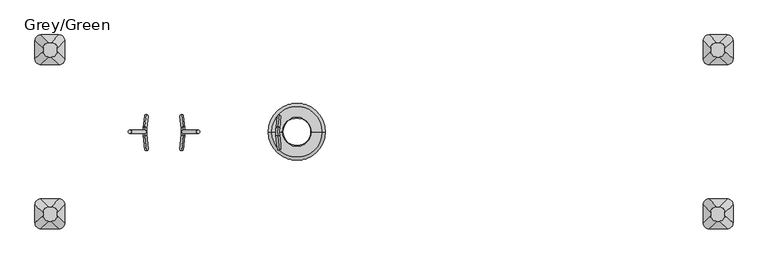
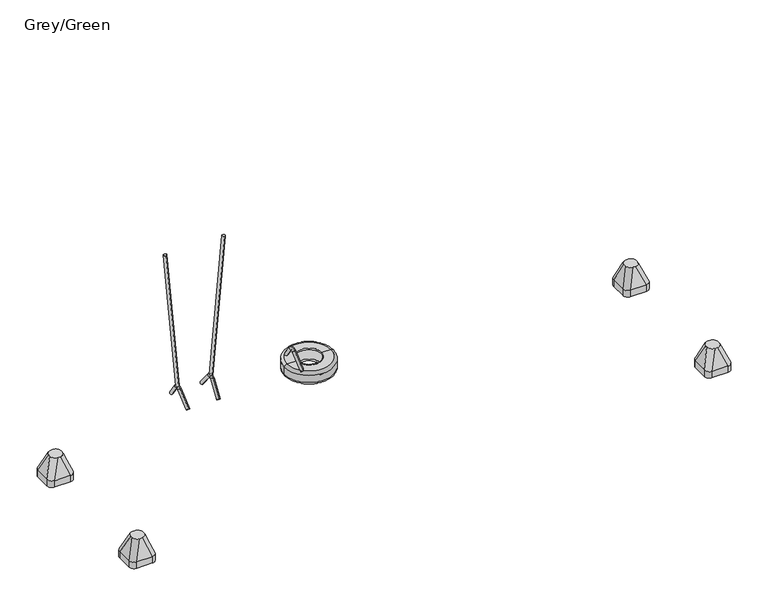
"""IFC4 building model written with IfcOpenShell, lengths in millimetres: furniture geometry, Grey/Green."""

from ifc_helpers import new_model, si_unit, point, frame, frame_2d, origin, place, context, project, spatial, circle_curve, ellipse_curve, trimmed, segment, composite_curve, outline, extrude, source, transform, mapped, element, save
from ifc_brep_helpers import plane_surface, cylinder_surface, revolved_surface, extruded_surface, advanced_brep


def grey_green_4fb9e961(model_context):
    return source(origin(), model_context, "Body", "SolidModel", [
        advanced_brep(
        [(529.5435586, 142.8352389, 487.8799535), (527.6552997, 171.5861173, 509.4628511), (515.6224244, 22.4722343, 646.9992456), (513.7341655, 51.2231127, 668.5821433), (529.9729122, -161.4568254, 482.9724192), (527.914457, -188.6263703, 506.5006701), (513.4434567, -44.2933839, 671.9049602), (515.5019119, -17.123839, 648.3767093)],
        [
            (0, 1, circle_curve(frame((528.5994292, 157.2106781, 498.6714023), z_axis=(0.06960567106282514, 0.6018150231520504, -0.7955964608169089), x_axis=(-0.052451635339515044, 0.7986355100472914, 0.5995249352960337)), 18.0)),
            (1, 0, circle_curve(frame((528.5994292, 157.2106781, 498.6714023), z_axis=(0.06960567106282514, 0.6018150231520504, -0.7955964608169089), x_axis=(-0.052451635339515044, 0.7986355100472914, 0.5995249352960337)), 18.0)),
            (0, 2),
            (2, 3, circle_curve(frame((514.678295, 36.8476735, 657.7906945), z_axis=(0.06960567106282514, 0.6018150231520504, -0.7955964608169089), x_axis=(-0.052451635339515044, 0.7986355100472914, 0.5995249352960337)), 18.0)),
            (3, 1),
            (3, 2, circle_curve(frame((514.678295, 36.8476735, 657.7906945), z_axis=(0.06960567106282514, 0.6018150231520504, -0.7955964608169089), x_axis=(-0.052451635339515044, 0.7986355100472914, 0.5995249352960337)), 18.0)),
            (4, 5, circle_curve(frame((528.9436846, -175.0415979, 494.7365446), z_axis=(0.06577727402308613, -0.6560590289905281, -0.7518376824169546), x_axis=(-0.05717931195797577, -0.754709580222754, 0.653562526315583)), 18.0)),
            (5, 4, circle_curve(frame((528.9436846, -175.0415979, 494.7365446), z_axis=(0.06577727402308613, -0.6560590289905281, -0.7518376824169546), x_axis=(-0.05717931195797577, -0.754709580222754, 0.653562526315583)), 18.0)),
            (6, 7, circle_curve(frame((514.4726843, -30.7086115, 660.1408348), z_axis=(0.06577727402308613, -0.6560590289905281, -0.7518376824169546), x_axis=(-0.05717931195797577, -0.754709580222754, 0.653562526315583)), 18.0)),
            (7, 4),
            (5, 6),
            (7, 6, circle_curve(frame((514.4726843, -30.7086115, 660.1408348), z_axis=(0.06577727402308613, -0.6560590289905281, -0.7518376824169546), x_axis=(-0.05717931195797577, -0.754709580222754, 0.653562526315583)), 18.0)),
            (6, 3, circle_curve(frame((516.9594607, 2.1143432, 631.7168506), z_axis=(-0.9961946980917457, 0.0, -0.08715574274765649), x_axis=(-0.05245163533951502, 0.7986355100472914, 0.5995249352960336)), 61.4908414)),
            (2, 7, circle_curve(frame((516.9594607, 2.1143432, 631.7168506), z_axis=(0.9961946980917457, 0.0, 0.08715574274765649), x_axis=(-0.05245163533951502, 0.7986355100472914, 0.5995249352960336)), 25.4908414)),
        ],
        [
            plane_surface(frame((528.5994292, 157.2106781, 498.6714023), z_axis=(0.06960567106282513, 0.6018150231520503, -0.7955964608169087), x_axis=(-0.9961946980917457, 0.0, -0.08715574274765646))),
            cylinder_surface(frame((528.5994292, 157.2106781, 498.6714023), z_axis=(0.06960567106282513, 0.6018150231520503, -0.7955964608169087), x_axis=(-0.052451635339515044, 0.7986355100472914, 0.5995249352960337)), 18.0),
            plane_surface(frame((528.9436846, -175.0415979, 494.7365446), z_axis=(0.06577727402308613, -0.6560590289905281, -0.7518376824169546), x_axis=(-0.9961946980917457, 0.0, -0.08715574274765645))),
            cylinder_surface(frame((514.4726843, -30.7086115, 660.1408348), z_axis=(-0.06577727402308613, 0.6560590289905281, 0.7518376824169546), x_axis=(-0.05717931195797577, -0.754709580222754, 0.653562526315583)), 18.0),
            revolved_surface(trimmed(ellipse_curve(frame((514.678295, 36.8476735, 657.7906945), z_axis=(0.0696056710628252, 0.6018150231520499, -0.7955964608169088), x_axis=(-0.05245163533951503, 0.7986355100472915, 0.5995249352960333)), 18.0, 18.0), [point((515.6224244, 22.4722343, 646.9992456))], [point((513.7341655, 51.2231127, 668.5821433))], True, "CARTESIAN"), (516.9594607, 2.1143432, 631.7168506), (0.9961946980917457, 0.0, 0.08715574274765649)),
            revolved_surface(trimmed(ellipse_curve(frame((514.678295, 36.8476735, 657.7906945), z_axis=(0.0696056710628252, 0.6018150231520499, -0.7955964608169088), x_axis=(-0.05245163533951503, 0.7986355100472915, 0.5995249352960333)), 18.0, 18.0), [point((513.7341655, 51.2231127, 668.5821433))], [point((515.6224244, 22.4722343, 646.9992456))], True, "CARTESIAN"), (516.9594607, 2.1143432, 631.7168506), (0.9961946980917457, 0.0, 0.08715574274765649)),
        ],
        [
            (0, [[1, 2]]),
            (1, [[-1, 3, 4, 5]]),
            (1, [[-2, -5, 6, -3]]),
            (2, [[7, 8]]),
            (3, [[9, 10, -8, 11]]),
            (3, [[12, -11, -7, -10]]),
            (4, [[13, -4, 14, -9]]),
            (5, [[-14, -6, -13, -12]]),
        ],
    ),
        advanced_brep(
        [(419.8165246, 0.0, 390.0), (991.1834754, 0.0, 390.0), (961.1834754, 0.0, 360.0), (449.8165246, 0.0, 360.0), (449.8165246, 0.0, 510.0), (961.1834754, 0.0, 510.0), (991.1834754, 0.0, 480.0), (419.8165246, 0.0, 480.0), (560.5, 0.0, 510.0), (850.5, 0.0, 510.0), (560.5, 0.0, 500.0), (850.5, 0.0, 500.0), (560.5, 0.0, 360.0), (850.5, 0.0, 360.0), (850.5, 0.0, 375.0), (560.5, 0.0, 375.0)],
        [
            (0, 1, circle_curve(frame((705.5, 0.0, 390.0), z_axis=(0.0, 0.0, -1.0), x_axis=(1.0, 0.0, 0.0)), 285.6834754)),
            (1, 2, circle_curve(frame((961.1834754, 0.0, 390.0), z_axis=(0.0, 1.0, 0.0), x_axis=(1.0, 0.0, 0.0)), 30.0)),
            (2, 3, circle_curve(frame((705.5, 0.0, 360.0), z_axis=(0.0, 0.0, 1.0), x_axis=(1.0, 0.0, 0.0)), 255.6834754)),
            (3, 0, circle_curve(frame((449.8165246, 0.0, 390.0), z_axis=(0.0, 1.0, 0.0), x_axis=(-1.0, 0.0, 0.0)), 30.0)),
            (1, 0, circle_curve(frame((705.5, 0.0, 390.0), z_axis=(0.0, 0.0, -1.0), x_axis=(1.0, 0.0, 0.0)), 285.6834754)),
            (3, 2, circle_curve(frame((705.5, 0.0, 360.0), z_axis=(0.0, 0.0, 1.0), x_axis=(1.0, 0.0, 0.0)), 255.6834754)),
            (4, 5, circle_curve(frame((705.5, 0.0, 510.0), z_axis=(0.0, 0.0, -1.0), x_axis=(1.0, 0.0, 0.0)), 255.6834754)),
            (5, 6, circle_curve(frame((961.1834754, 0.0, 480.0), z_axis=(0.0, 1.0, 0.0), x_axis=(1.0, 0.0, 0.0)), 30.0)),
            (6, 7, circle_curve(frame((705.5, 0.0, 480.0), z_axis=(0.0, 0.0, 1.0), x_axis=(1.0, 0.0, 0.0)), 285.6834754)),
            (7, 4, circle_curve(frame((449.8165246, 0.0, 480.0), z_axis=(0.0, 1.0, 0.0), x_axis=(-1.0, 0.0, 0.0)), 30.0)),
            (5, 4, circle_curve(frame((705.5, 0.0, 510.0), z_axis=(0.0, 0.0, -1.0), x_axis=(1.0, 0.0, 0.0)), 255.6834754)),
            (7, 6, circle_curve(frame((705.5, 0.0, 480.0), z_axis=(0.0, 0.0, 1.0), x_axis=(1.0, 0.0, 0.0)), 285.6834754)),
            (8, 9, circle_curve(frame((705.5, 0.0, 510.0), z_axis=(0.0, 0.0, -1.0), x_axis=(1.0, 0.0, 0.0)), 145.0)),
            (9, 5),
            (4, 8),
            (9, 8, circle_curve(frame((705.5, 0.0, 510.0), z_axis=(0.0, 0.0, -1.0), x_axis=(1.0, 0.0, 0.0)), 145.0)),
            (10, 11, circle_curve(frame((705.5, 0.0, 500.0), z_axis=(0.0, 0.0, -1.0), x_axis=(1.0, 0.0, 0.0)), 145.0)),
            (11, 9, circle_curve(frame((850.5, 0.0, 505.0), z_axis=(0.0, 1.0, 0.0), x_axis=(1.0, 0.0, 0.0)), 5.0)),
            (8, 10, circle_curve(frame((560.5, 0.0, 505.0), z_axis=(0.0, 1.0, 0.0), x_axis=(-1.0, 0.0, 0.0)), 5.0)),
            (11, 10, circle_curve(frame((705.5, 0.0, 500.0), z_axis=(0.0, 0.0, -1.0), x_axis=(1.0, 0.0, 0.0)), 145.0)),
            (12, 13, circle_curve(frame((705.5, 0.0, 360.0), z_axis=(0.0, 0.0, -1.0), x_axis=(1.0, 0.0, 0.0)), 145.0)),
            (13, 14, circle_curve(frame((854.3250415, 0.0, 367.5), z_axis=(0.0, 1.0, 0.0), x_axis=(1.0, 0.0, 0.0)), 8.4190821)),
            (14, 15, circle_curve(frame((705.5, 0.0, 375.0), z_axis=(0.0, 0.0, 1.0), x_axis=(1.0, 0.0, 0.0)), 145.0)),
            (15, 12, circle_curve(frame((556.6749585, 0.0, 367.5), z_axis=(0.0, 1.0, 0.0), x_axis=(-1.0, 0.0, 0.0)), 8.4190821)),
            (13, 12, circle_curve(frame((705.5, 0.0, 360.0), z_axis=(0.0, 0.0, -1.0), x_axis=(1.0, 0.0, 0.0)), 145.0)),
            (15, 14, circle_curve(frame((705.5, 0.0, 375.0), z_axis=(0.0, 0.0, 1.0), x_axis=(1.0, 0.0, 0.0)), 145.0)),
            (2, 13),
            (12, 3),
            (6, 1),
            (0, 7),
            (14, 11, circle_curve(frame((850.5, 0.0, 437.5), z_axis=(0.0, -1.0, 0.0), x_axis=(-1.0, 0.0, 0.0)), 62.5)),
            (10, 15, circle_curve(frame((560.5, 0.0, 437.5), z_axis=(0.0, -1.0, 0.0), x_axis=(1.0, 0.0, 0.0)), 62.5)),
        ],
        [
            revolved_surface(trimmed(ellipse_curve(frame((961.1834754, 0.0, 390.0), z_axis=(0.0, -1.0, 0.0), x_axis=(1.0, 0.0, 0.0)), 30.0, 30.0), [point((961.1834754, 0.0, 360.0))], [point((991.1834754, 0.0, 390.0))], True, "CARTESIAN"), (705.5, 0.0, 2969.0581012), (0.0, 0.0, 1.0)),
            revolved_surface(trimmed(ellipse_curve(frame((961.1834754, 0.0, 480.0), z_axis=(0.0, -1.0, 0.0), x_axis=(1.0, 0.0, 0.0)), 30.0, 30.0), [point((991.1834754, 0.0, 480.0))], [point((961.1834754, 0.0, 510.0))], True, "CARTESIAN"), (705.5, 0.0, 2969.0581012), (0.0, 0.0, 1.0)),
            plane_surface(frame((705.5, 0.0, 510.0), z_axis=(0.0, 0.0, 1.0), x_axis=(1.0, 0.0, 0.0))),
            revolved_surface(trimmed(ellipse_curve(frame((850.5, 0.0, 505.0), z_axis=(0.0, -1.0, 0.0), x_axis=(1.0, 0.0, 0.0)), 5.0, 5.0), [point((850.5, 0.0, 510.0))], [point((850.5, 0.0, 500.0))], True, "CARTESIAN"), (705.5, 0.0, 2969.0581012), (0.0, 0.0, 1.0)),
            revolved_surface(trimmed(ellipse_curve(frame((854.3250415, 0.0, 367.5), z_axis=(0.0, -1.0, 0.0), x_axis=(1.0, 0.0, 0.0)), 8.4190821, 8.4190821), [point((850.5, 0.0, 375.0))], [point((850.5, 0.0, 360.0))], True, "CARTESIAN"), (705.5, 0.0, 2969.0581012), (0.0, 0.0, 1.0)),
            plane_surface(frame((705.5, 0.0, 360.0), z_axis=(0.0, 0.0, -1.0), x_axis=(1.0, 0.0, 0.0))),
            cylinder_surface(frame((705.5, 0.0, 2969.0581012), z_axis=(0.0, 0.0, 1.0), x_axis=(1.0, 0.0, 0.0)), 285.6834754),
            revolved_surface(trimmed(ellipse_curve(frame((850.5, 0.0, 437.5), z_axis=(0.0, 1.0, 0.0), x_axis=(-1.0, 0.0, 0.0)), 62.5, 62.5), [point((850.5, 0.0, 500.0))], [point((850.5, 0.0, 375.0))], True, "CARTESIAN"), (705.5, 0.0, 2969.0581012), (0.0, 0.0, 1.0)),
        ],
        [
            (0, [[1, 2, 3, 4]]),
            (0, [[5, -4, 6, -2]]),
            (1, [[7, 8, 9, 10]]),
            (1, [[11, -10, 12, -8]]),
            (2, [[13, 14, -7, 15]]),
            (2, [[16, -15, -11, -14]]),
            (3, [[17, 18, -13, 19]]),
            (3, [[20, -19, -16, -18]]),
            (4, [[21, 22, 23, 24]]),
            (4, [[25, -24, 26, -22]]),
            (5, [[-3, 27, -21, 28]]),
            (5, [[-6, -28, -25, -27]]),
            (6, [[-9, 29, -1, 30]]),
            (6, [[-12, -30, -5, -29]]),
            (7, [[-23, 31, -17, 32]]),
            (7, [[-26, -32, -20, -31]]),
        ],
    ),
        advanced_brep(
        [(4833.0, -672.5, -604.0), (5013.0, -672.5, -604.0), (5073.0, -732.5, -604.0), (5073.0, -912.5, -604.0), (5013.0, -972.5, -604.0), (4833.0, -972.5, -604.0), (4773.0, -912.5, -604.0), (4773.0, -732.5, -604.0), (4833.0, -672.5, -526.0689494), (5013.0, -672.5, -526.0689494), (5073.0, -732.5, -526.0689494), (5073.0, -912.5, -526.0689494), (5013.0, -972.5, -526.0689494), (4833.0, -972.5, -526.0689494), (4773.0, -912.5, -526.0689494), (4773.0, -732.5, -526.0689494), (4931.9540451, -751.0510597, -316.0689494), (4906.9540451, -751.0510597, -316.0689494), (4846.9540451, -811.0510597, -316.0689494), (4846.9540451, -836.0510597, -316.0689494), (4906.9540451, -896.0510597, -316.0689494), (4931.9540451, -896.0510597, -316.0689494), (4991.9540451, -836.0510597, -316.0689494), (4991.9540451, -811.0510597, -316.0689494)],
        [
            (0, 1),
            (1, 2, circle_curve(frame((5013.0, -732.5, -604.0), z_axis=(0.0, 0.0, -1.0), x_axis=(-1.0, 0.0, 0.0)), 60.0)),
            (2, 3),
            (3, 4, circle_curve(frame((5013.0, -912.5, -604.0), z_axis=(0.0, 0.0, -1.0), x_axis=(-1.0, 0.0, 0.0)), 60.0)),
            (4, 5),
            (5, 6, circle_curve(frame((4833.0, -912.5, -604.0), z_axis=(0.0, 0.0, -1.0), x_axis=(-1.0, 0.0, 0.0)), 60.0)),
            (6, 7),
            (7, 0, circle_curve(frame((4833.0, -732.5, -604.0), z_axis=(0.0, 0.0, -1.0), x_axis=(-1.0, 0.0, 0.0)), 60.0)),
            (0, 8),
            (8, 9),
            (9, 1),
            (2, 10),
            (10, 11),
            (11, 3),
            (4, 12),
            (12, 13),
            (13, 5),
            (6, 14),
            (14, 15),
            (15, 7),
            (16, 17),
            (17, 18, circle_curve(frame((4906.9540451, -811.0510597, -316.0689494), z_axis=(0.0, 0.0, 1.0), x_axis=(-1.0, 0.0, 0.0)), 60.0)),
            (18, 19),
            (19, 20, circle_curve(frame((4906.9540451, -836.0510597, -316.0689494), z_axis=(0.0, 0.0, 1.0), x_axis=(-1.0, 0.0, 0.0)), 60.0)),
            (20, 21),
            (21, 22, circle_curve(frame((4931.9540451, -836.0510597, -316.0689494), z_axis=(0.0, 0.0, 1.0), x_axis=(-1.0, 0.0, 0.0)), 60.0)),
            (22, 23),
            (23, 16, circle_curve(frame((4931.9540451, -811.0510597, -316.0689494), z_axis=(0.0, 0.0, 1.0), x_axis=(-1.0, 0.0, 0.0)), 60.0)),
            (22, 11),
            (10, 23),
            (20, 13),
            (12, 21),
            (18, 15),
            (14, 19),
            (16, 9),
            (8, 17),
            (9, 10, circle_curve(frame((5013.0, -732.5, -526.0689494), z_axis=(0.0, 0.0, -1.0), x_axis=(-1.0, 0.0, 0.0)), 60.0)),
            (11, 12, circle_curve(frame((5013.0, -912.5, -526.0689494), z_axis=(0.0, 0.0, -1.0), x_axis=(-1.0, 0.0, 0.0)), 60.0)),
            (13, 14, circle_curve(frame((4833.0, -912.5, -526.0689494), z_axis=(0.0, 0.0, -1.0), x_axis=(-1.0, 0.0, 0.0)), 60.0)),
            (15, 8, circle_curve(frame((4833.0, -732.5, -526.0689494), z_axis=(0.0, 0.0, -1.0), x_axis=(-1.0, 0.0, 0.0)), 60.0)),
        ],
        [
            plane_surface(frame((5099.6329682, -672.5, -604.0), z_axis=(0.0, 0.0, -1.0), x_axis=(-1.0, 0.0, 0.0))),
            plane_surface(frame((4833.0, -672.5, -526.0689494), z_axis=(0.0, 1.0, 0.0), x_axis=(0.0, 0.0, -1.0))),
            plane_surface(frame((5073.0, -732.5, -526.0689494), z_axis=(1.0, 0.0, 0.0), x_axis=(0.0, 0.0, -1.0))),
            plane_surface(frame((5013.0, -972.5, -526.0689494), z_axis=(0.0, -1.0, 0.0), x_axis=(0.0, 0.0, -1.0))),
            plane_surface(frame((4773.0, -912.5, -526.0689494), z_axis=(-1.0, 0.0, 0.0), x_axis=(0.0, 0.0, -1.0))),
            plane_surface(frame((4919.4540451, -823.5510597, -316.0689494), z_axis=(0.0, 0.0, 1.0), x_axis=(1.0, 0.0, 0.0))),
            plane_surface(frame((5073.0, -822.5, -526.0689494), z_axis=(0.9329330935587706, 0.0, 0.36004977842357055), x_axis=(0.0, -1.0, 0.0))),
            plane_surface(frame((4923.0, -972.5, -526.0689494), z_axis=(0.0, -0.9396707723277333, 0.34208016550656856), x_axis=(-1.0, 0.0, 0.0))),
            plane_surface(frame((4773.0, -822.5, -526.0689494), z_axis=(-0.9432207285248213, 0.0, 0.33216661072586046), x_axis=(0.0, 1.0, 0.0))),
            plane_surface(frame((4923.0, -672.5, -526.0689494), z_axis=(0.0, 0.9366205672401335, 0.35034541958297477), x_axis=(1.0, 0.0, 0.0))),
            cylinder_surface(frame((5013.0, -732.5, -604.0), z_axis=(0.0, 0.0, 1.0), x_axis=(-1.0, 0.0, 0.0)), 60.0),
            cylinder_surface(frame((5013.0, -912.5, -604.0), z_axis=(0.0, 0.0, 1.0), x_axis=(-1.0, 0.0, 0.0)), 60.0),
            cylinder_surface(frame((4833.0, -912.5, -604.0), z_axis=(0.0, 0.0, 1.0), x_axis=(-1.0, 0.0, 0.0)), 60.0),
            cylinder_surface(frame((4833.0, -732.5, -604.0), z_axis=(0.0, 0.0, 1.0), x_axis=(-1.0, 0.0, 0.0)), 60.0),
            extruded_surface(trimmed(circle_curve(frame((4931.9540451, -811.0510597, -316.0689494), z_axis=(0.0, 0.0, -1.0), x_axis=(-1.0, 0.0, 0.0)), 60.0), [point((4931.9540451, -751.0510597, -316.0689494))], [point((4991.9540451, -811.0510597, -316.0689494))], True, "CARTESIAN"), (81.04595489999974, 78.5510597, -209.99999999999994), 238.40871583406033),
            extruded_surface(trimmed(circle_curve(frame((4906.9540451, -811.0510597, -316.0689494), z_axis=(0.0, 0.0, -1.0), x_axis=(-1.0, 0.0, 0.0)), 60.0), [point((4846.9540451, -811.0510597, -316.0689494))], [point((4906.9540451, -751.0510597, -316.0689494))], True, "CARTESIAN"), (-73.95404510000026, 78.5510597, -209.99999999999994), 236.09207900021934),
            extruded_surface(trimmed(circle_curve(frame((4931.9540451, -836.0510597, -316.0689494), z_axis=(0.0, 0.0, -1.0), x_axis=(-1.0, 0.0, 0.0)), 60.0), [point((4991.9540451, -836.0510597, -316.0689494))], [point((4931.9540451, -896.0510597, -316.0689494))], True, "CARTESIAN"), (81.04595489999974, -76.4489403, -209.99999999999994), 237.72439352882097),
            extruded_surface(trimmed(circle_curve(frame((4906.9540451, -836.0510597, -316.0689494), z_axis=(0.0, 0.0, -1.0), x_axis=(-1.0, 0.0, 0.0)), 60.0), [point((4906.9540451, -896.0510597, -316.0689494))], [point((4846.9540451, -836.0510597, -316.0689494))], True, "CARTESIAN"), (-73.95404510000026, -76.4489403, -209.99999999999994), 235.40102221453037),
        ],
        [
            (0, [[1, 2, 3, 4, 5, 6, 7, 8]]),
            (1, [[9, 10, 11, -1]]),
            (2, [[12, 13, 14, -3]]),
            (3, [[15, 16, 17, -5]]),
            (4, [[18, 19, 20, -7]]),
            (5, [[21, 22, 23, 24, 25, 26, 27, 28]]),
            (6, [[29, -13, 30, -27]]),
            (7, [[31, -16, 32, -25]]),
            (8, [[33, -19, 34, -23]]),
            (9, [[35, -10, 36, -21]]),
            (10, [[-11, 37, -12, -2]]),
            (11, [[-14, 38, -15, -4]]),
            (12, [[-17, 39, -18, -6]]),
            (13, [[-20, 40, -9, -8]]),
            (14, [[-30, -37, -35, -28]]),
            (15, [[-36, -40, -33, -22]]),
            (16, [[-32, -38, -29, -26]]),
            (17, [[-34, -39, -31, -24]]),
        ],
    ),
        advanced_brep(
        [(4833.0, 672.5, -604.0), (4773.0, 732.5, -604.0), (4773.0, 912.5, -604.0), (4833.0, 972.5, -604.0), (5013.0, 972.5, -604.0), (5073.0, 912.5, -604.0), (5073.0, 732.5, -604.0), (5013.0, 672.5, -604.0), (5013.0, 672.5, -526.0689494), (4833.0, 672.5, -526.0689494), (5073.0, 912.5, -526.0689494), (5073.0, 732.5, -526.0689494), (4833.0, 972.5, -526.0689494), (5013.0, 972.5, -526.0689494), (4773.0, 732.5, -526.0689494), (4773.0, 912.5, -526.0689494), (4931.9540451, 751.0510597, -316.0689494), (4991.9540451, 811.0510597, -316.0689494), (4991.9540451, 836.0510597, -316.0689494), (4931.9540451, 896.0510597, -316.0689494), (4906.9540451, 896.0510597, -316.0689494), (4846.9540451, 836.0510597, -316.0689494), (4846.9540451, 811.0510597, -316.0689494), (4906.9540451, 751.0510597, -316.0689494)],
        [
            (0, 1, circle_curve(frame((4833.0, 732.5, -604.0), z_axis=(0.0, 0.0, -1.0), x_axis=(-1.0, 0.0, 0.0)), 60.0)),
            (1, 2),
            (2, 3, circle_curve(frame((4833.0, 912.5, -604.0), z_axis=(0.0, 0.0, -1.0), x_axis=(-1.0, 0.0, 0.0)), 60.0)),
            (3, 4),
            (4, 5, circle_curve(frame((5013.0, 912.5, -604.0), z_axis=(0.0, 0.0, -1.0), x_axis=(-1.0, 0.0, 0.0)), 60.0)),
            (5, 6),
            (6, 7, circle_curve(frame((5013.0, 732.5, -604.0), z_axis=(0.0, 0.0, -1.0), x_axis=(-1.0, 0.0, 0.0)), 60.0)),
            (7, 0),
            (7, 8),
            (8, 9),
            (9, 0),
            (5, 10),
            (10, 11),
            (11, 6),
            (3, 12),
            (12, 13),
            (13, 4),
            (1, 14),
            (14, 15),
            (15, 2),
            (16, 17, circle_curve(frame((4931.9540451, 811.0510597, -316.0689494), z_axis=(0.0, 0.0, 1.0), x_axis=(-1.0, 0.0, 0.0)), 60.0)),
            (17, 18),
            (18, 19, circle_curve(frame((4931.9540451, 836.0510597, -316.0689494), z_axis=(0.0, 0.0, 1.0), x_axis=(-1.0, 0.0, 0.0)), 60.0)),
            (19, 20),
            (20, 21, circle_curve(frame((4906.9540451, 836.0510597, -316.0689494), z_axis=(0.0, 0.0, 1.0), x_axis=(-1.0, 0.0, 0.0)), 60.0)),
            (21, 22),
            (22, 23, circle_curve(frame((4906.9540451, 811.0510597, -316.0689494), z_axis=(0.0, 0.0, 1.0), x_axis=(-1.0, 0.0, 0.0)), 60.0)),
            (23, 16),
            (17, 11),
            (10, 18),
            (19, 13),
            (12, 20),
            (21, 15),
            (14, 22),
            (23, 9),
            (8, 16),
            (11, 8, circle_curve(frame((5013.0, 732.5, -526.0689494), z_axis=(0.0, 0.0, -1.0), x_axis=(-1.0, 0.0, 0.0)), 60.0)),
            (13, 10, circle_curve(frame((5013.0, 912.5, -526.0689494), z_axis=(0.0, 0.0, -1.0), x_axis=(-1.0, 0.0, 0.0)), 60.0)),
            (15, 12, circle_curve(frame((4833.0, 912.5, -526.0689494), z_axis=(0.0, 0.0, -1.0), x_axis=(-1.0, 0.0, 0.0)), 60.0)),
            (9, 14, circle_curve(frame((4833.0, 732.5, -526.0689494), z_axis=(0.0, 0.0, -1.0), x_axis=(-1.0, 0.0, 0.0)), 60.0)),
        ],
        [
            plane_surface(frame((5099.6329682, 672.5, -604.0), z_axis=(0.0, 0.0, -1.0), x_axis=(-1.0, 0.0, 0.0))),
            plane_surface(frame((4833.0, 672.5, -526.0689494), z_axis=(0.0, -1.0, 0.0), x_axis=(0.0, 0.0, -1.0))),
            plane_surface(frame((5073.0, 732.5, -526.0689494), z_axis=(1.0, 0.0, 0.0), x_axis=(0.0, 0.0, -1.0))),
            plane_surface(frame((5013.0, 972.5, -526.0689494), z_axis=(0.0, 1.0, 0.0), x_axis=(0.0, 0.0, -1.0))),
            plane_surface(frame((4773.0, 912.5, -526.0689494), z_axis=(-1.0, 0.0, 0.0), x_axis=(0.0, 0.0, -1.0))),
            plane_surface(frame((4919.4540451, 823.5510597, -316.0689494), z_axis=(0.0, 0.0, 1.0), x_axis=(1.0, 0.0, 0.0))),
            plane_surface(frame((5073.0, 822.5, -526.0689494), z_axis=(0.9329330935587706, 0.0, 0.36004977842357055), x_axis=(0.0, 1.0, 0.0))),
            plane_surface(frame((4923.0, 972.5, -526.0689494), z_axis=(0.0, 0.9396707723277333, 0.34208016550656856), x_axis=(-1.0, 0.0, 0.0))),
            plane_surface(frame((4773.0, 822.5, -526.0689494), z_axis=(-0.9432207285248213, 0.0, 0.33216661072586046), x_axis=(0.0, -1.0, 0.0))),
            plane_surface(frame((4923.0, 672.5, -526.0689494), z_axis=(0.0, -0.9366205672401335, 0.35034541958297477), x_axis=(1.0, 0.0, 0.0))),
            cylinder_surface(frame((5013.0, 732.5, -604.0), z_axis=(0.0, 0.0, 1.0), x_axis=(-1.0, 0.0, 0.0)), 60.0),
            cylinder_surface(frame((5013.0, 912.5, -604.0), z_axis=(0.0, 0.0, 1.0), x_axis=(-1.0, 0.0, 0.0)), 60.0),
            cylinder_surface(frame((4833.0, 912.5, -604.0), z_axis=(0.0, 0.0, 1.0), x_axis=(-1.0, 0.0, 0.0)), 60.0),
            cylinder_surface(frame((4833.0, 732.5, -604.0), z_axis=(0.0, 0.0, 1.0), x_axis=(-1.0, 0.0, 0.0)), 60.0),
            extruded_surface(trimmed(circle_curve(frame((5013.0, 732.5, -526.0689494), z_axis=(0.0, 0.0, 1.0), x_axis=(-1.0, 0.0, 0.0)), 60.0), [point((5013.0, 672.5, -526.0689494))], [point((5073.0, 732.5, -526.0689494))], True, "CARTESIAN"), (-81.04595489999974, 78.5510597, 209.99999999999994), 238.40871583406033),
            extruded_surface(trimmed(circle_curve(frame((4833.0, 732.5, -526.0689494), z_axis=(0.0, 0.0, 1.0), x_axis=(-1.0, 0.0, 0.0)), 60.0), [point((4773.0, 732.5, -526.0689494))], [point((4833.0, 672.5, -526.0689494))], True, "CARTESIAN"), (73.95404510000026, 78.5510597, 209.99999999999994), 236.09207900021934),
            extruded_surface(trimmed(circle_curve(frame((5013.0, 912.5, -526.0689494), z_axis=(0.0, 0.0, 1.0), x_axis=(-1.0, 0.0, 0.0)), 60.0), [point((5073.0, 912.5, -526.0689494))], [point((5013.0, 972.5, -526.0689494))], True, "CARTESIAN"), (-81.04595489999974, -76.4489403, 209.99999999999994), 237.72439352882097),
            extruded_surface(trimmed(circle_curve(frame((4833.0, 912.5, -526.0689494), z_axis=(0.0, 0.0, 1.0), x_axis=(-1.0, 0.0, 0.0)), 60.0), [point((4833.0, 972.5, -526.0689494))], [point((4773.0, 912.5, -526.0689494))], True, "CARTESIAN"), (73.95404510000026, -76.4489403, 209.99999999999994), 235.40102221453037),
        ],
        [
            (0, [[1, 2, 3, 4, 5, 6, 7, 8]]),
            (1, [[-8, 9, 10, 11]]),
            (2, [[-6, 12, 13, 14]]),
            (3, [[-4, 15, 16, 17]]),
            (4, [[-2, 18, 19, 20]]),
            (5, [[21, 22, 23, 24, 25, 26, 27, 28]]),
            (6, [[-22, 29, -13, 30]]),
            (7, [[-24, 31, -16, 32]]),
            (8, [[-26, 33, -19, 34]]),
            (9, [[-28, 35, -10, 36]]),
            (10, [[-7, -14, 37, -9]]),
            (11, [[-5, -17, 38, -12]]),
            (12, [[-3, -20, 39, -15]]),
            (13, [[-1, -11, 40, -18]]),
            (14, [[-21, -36, -37, -29]]),
            (15, [[-27, -34, -40, -35]]),
            (16, [[-23, -30, -38, -31]]),
            (17, [[-25, -32, -39, -33]]),
        ],
    ),
        advanced_brep(
        [(-1677.0, 672.5, -604.0), (-1857.0, 672.5, -604.0), (-1917.0, 732.5, -604.0), (-1917.0, 912.5, -604.0), (-1857.0, 972.5, -604.0), (-1677.0, 972.5, -604.0), (-1617.0, 912.5, -604.0), (-1617.0, 732.5, -604.0), (-1677.0, 672.5, -526.0689494), (-1857.0, 672.5, -526.0689494), (-1917.0, 732.5, -526.0689494), (-1917.0, 912.5, -526.0689494), (-1857.0, 972.5, -526.0689494), (-1677.0, 972.5, -526.0689494), (-1617.0, 912.5, -526.0689494), (-1617.0, 732.5, -526.0689494), (-1775.9540451, 751.0510597, -316.0689494), (-1750.9540451, 751.0510597, -316.0689494), (-1690.9540451, 811.0510597, -316.0689494), (-1690.9540451, 836.0510597, -316.0689494), (-1750.9540451, 896.0510597, -316.0689494), (-1775.9540451, 896.0510597, -316.0689494), (-1835.9540451, 836.0510597, -316.0689494), (-1835.9540451, 811.0510597, -316.0689494)],
        [
            (0, 1),
            (1, 2, circle_curve(frame((-1857.0, 732.5, -604.0), z_axis=(0.0, 0.0, -1.0), x_axis=(1.0, 0.0, 0.0)), 60.0)),
            (2, 3),
            (3, 4, circle_curve(frame((-1857.0, 912.5, -604.0), z_axis=(0.0, 0.0, -1.0), x_axis=(1.0, 0.0, 0.0)), 60.0)),
            (4, 5),
            (5, 6, circle_curve(frame((-1677.0, 912.5, -604.0), z_axis=(0.0, 0.0, -1.0), x_axis=(1.0, 0.0, 0.0)), 60.0)),
            (6, 7),
            (7, 0, circle_curve(frame((-1677.0, 732.5, -604.0), z_axis=(0.0, 0.0, -1.0), x_axis=(1.0, 0.0, 0.0)), 60.0)),
            (0, 8),
            (8, 9),
            (9, 1),
            (2, 10),
            (10, 11),
            (11, 3),
            (4, 12),
            (12, 13),
            (13, 5),
            (6, 14),
            (14, 15),
            (15, 7),
            (16, 17),
            (17, 18, circle_curve(frame((-1750.9540451, 811.0510597, -316.0689494), z_axis=(0.0, 0.0, 1.0), x_axis=(1.0, 0.0, 0.0)), 60.0)),
            (18, 19),
            (19, 20, circle_curve(frame((-1750.9540451, 836.0510597, -316.0689494), z_axis=(0.0, 0.0, 1.0), x_axis=(1.0, 0.0, 0.0)), 60.0)),
            (20, 21),
            (21, 22, circle_curve(frame((-1775.9540451, 836.0510597, -316.0689494), z_axis=(0.0, 0.0, 1.0), x_axis=(1.0, 0.0, 0.0)), 60.0)),
            (22, 23),
            (23, 16, circle_curve(frame((-1775.9540451, 811.0510597, -316.0689494), z_axis=(0.0, 0.0, 1.0), x_axis=(1.0, 0.0, 0.0)), 60.0)),
            (22, 11),
            (10, 23),
            (20, 13),
            (12, 21),
            (18, 15),
            (14, 19),
            (16, 9),
            (8, 17),
            (9, 10, circle_curve(frame((-1857.0, 732.5, -526.0689494), z_axis=(0.0, 0.0, -1.0), x_axis=(1.0, 0.0, 0.0)), 60.0)),
            (11, 12, circle_curve(frame((-1857.0, 912.5, -526.0689494), z_axis=(0.0, 0.0, -1.0), x_axis=(1.0, 0.0, 0.0)), 60.0)),
            (13, 14, circle_curve(frame((-1677.0, 912.5, -526.0689494), z_axis=(0.0, 0.0, -1.0), x_axis=(1.0, 0.0, 0.0)), 60.0)),
            (15, 8, circle_curve(frame((-1677.0, 732.5, -526.0689494), z_axis=(0.0, 0.0, -1.0), x_axis=(1.0, 0.0, 0.0)), 60.0)),
        ],
        [
            plane_surface(frame((-1943.6329682, 672.5, -604.0), z_axis=(0.0, 0.0, -1.0), x_axis=(1.0, 0.0, 0.0))),
            plane_surface(frame((-1677.0, 672.5, -526.0689494), z_axis=(0.0, -1.0, 0.0), x_axis=(0.0, 0.0, -1.0))),
            plane_surface(frame((-1917.0, 732.5, -526.0689494), z_axis=(-1.0, 0.0, 0.0), x_axis=(0.0, 0.0, -1.0))),
            plane_surface(frame((-1857.0, 972.5, -526.0689494), z_axis=(0.0, 1.0, 0.0), x_axis=(0.0, 0.0, -1.0))),
            plane_surface(frame((-1617.0, 912.5, -526.0689494), z_axis=(1.0, 0.0, 0.0), x_axis=(0.0, 0.0, -1.0))),
            plane_surface(frame((-1763.4540451, 823.5510597, -316.0689494), z_axis=(0.0, 0.0, 1.0), x_axis=(-1.0, 0.0, 0.0))),
            plane_surface(frame((-1917.0, 822.5, -526.0689494), z_axis=(-0.9329330935587706, 0.0, 0.36004977842357055), x_axis=(0.0, 1.0, 0.0))),
            plane_surface(frame((-1767.0, 972.5, -526.0689494), z_axis=(0.0, 0.9396707723277333, 0.34208016550656856), x_axis=(1.0, 0.0, 0.0))),
            plane_surface(frame((-1617.0, 822.5, -526.0689494), z_axis=(0.9432207285248213, 0.0, 0.33216661072586046), x_axis=(0.0, -1.0, 0.0))),
            plane_surface(frame((-1767.0, 672.5, -526.0689494), z_axis=(0.0, -0.9366205672401335, 0.35034541958297477), x_axis=(-1.0, 0.0, 0.0))),
            cylinder_surface(frame((-1857.0, 732.5, -604.0), z_axis=(0.0, 0.0, 1.0), x_axis=(1.0, 0.0, 0.0)), 60.0),
            cylinder_surface(frame((-1857.0, 912.5, -604.0), z_axis=(0.0, 0.0, 1.0), x_axis=(1.0, 0.0, 0.0)), 60.0),
            cylinder_surface(frame((-1677.0, 912.5, -604.0), z_axis=(0.0, 0.0, 1.0), x_axis=(1.0, 0.0, 0.0)), 60.0),
            cylinder_surface(frame((-1677.0, 732.5, -604.0), z_axis=(0.0, 0.0, 1.0), x_axis=(1.0, 0.0, 0.0)), 60.0),
            extruded_surface(trimmed(circle_curve(frame((-1775.9540451, 811.0510597, -316.0689494), z_axis=(0.0, 0.0, -1.0), x_axis=(1.0, 0.0, 0.0)), 60.0), [point((-1775.9540451, 751.0510597, -316.0689494))], [point((-1835.9540451, 811.0510597, -316.0689494))], True, "CARTESIAN"), (-81.04595489999997, -78.5510597, -209.99999999999994), 238.40871583406042),
            extruded_surface(trimmed(circle_curve(frame((-1750.9540451, 811.0510597, -316.0689494), z_axis=(0.0, 0.0, -1.0), x_axis=(1.0, 0.0, 0.0)), 60.0), [point((-1690.9540451, 811.0510597, -316.0689494))], [point((-1750.9540451, 751.0510597, -316.0689494))], True, "CARTESIAN"), (73.95404510000003, -78.5510597, -209.99999999999994), 236.0920790002193),
            extruded_surface(trimmed(circle_curve(frame((-1775.9540451, 836.0510597, -316.0689494), z_axis=(0.0, 0.0, -1.0), x_axis=(1.0, 0.0, 0.0)), 60.0), [point((-1835.9540451, 836.0510597, -316.0689494))], [point((-1775.9540451, 896.0510597, -316.0689494))], True, "CARTESIAN"), (-81.04595489999997, 76.4489403, -209.99999999999994), 237.72439352882105),
            extruded_surface(trimmed(circle_curve(frame((-1750.9540451, 836.0510597, -316.0689494), z_axis=(0.0, 0.0, -1.0), x_axis=(1.0, 0.0, 0.0)), 60.0), [point((-1750.9540451, 896.0510597, -316.0689494))], [point((-1690.9540451, 836.0510597, -316.0689494))], True, "CARTESIAN"), (73.95404510000003, 76.4489403, -209.99999999999994), 235.4010222145303),
        ],
        [
            (0, [[1, 2, 3, 4, 5, 6, 7, 8]]),
            (1, [[9, 10, 11, -1]]),
            (2, [[12, 13, 14, -3]]),
            (3, [[15, 16, 17, -5]]),
            (4, [[18, 19, 20, -7]]),
            (5, [[21, 22, 23, 24, 25, 26, 27, 28]]),
            (6, [[29, -13, 30, -27]]),
            (7, [[31, -16, 32, -25]]),
            (8, [[33, -19, 34, -23]]),
            (9, [[35, -10, 36, -21]]),
            (10, [[-11, 37, -12, -2]]),
            (11, [[-14, 38, -15, -4]]),
            (12, [[-17, 39, -18, -6]]),
            (13, [[-20, 40, -9, -8]]),
            (14, [[-30, -37, -35, -28]]),
            (15, [[-36, -40, -33, -22]]),
            (16, [[-32, -38, -29, -26]]),
            (17, [[-34, -39, -31, -24]]),
        ],
    ),
        advanced_brep(
        [(-1677.0, -672.5, -604.0), (-1617.0, -732.5, -604.0), (-1617.0, -912.5, -604.0), (-1677.0, -972.5, -604.0), (-1857.0, -972.5, -604.0), (-1917.0, -912.5, -604.0), (-1917.0, -732.5, -604.0), (-1857.0, -672.5, -604.0), (-1857.0, -672.5, -526.0689494), (-1677.0, -672.5, -526.0689494), (-1917.0, -912.5, -526.0689494), (-1917.0, -732.5, -526.0689494), (-1677.0, -972.5, -526.0689494), (-1857.0, -972.5, -526.0689494), (-1617.0, -732.5, -526.0689494), (-1617.0, -912.5, -526.0689494), (-1775.9540451, -751.0510597, -316.0689494), (-1835.9540451, -811.0510597, -316.0689494), (-1835.9540451, -836.0510597, -316.0689494), (-1775.9540451, -896.0510597, -316.0689494), (-1750.9540451, -896.0510597, -316.0689494), (-1690.9540451, -836.0510597, -316.0689494), (-1690.9540451, -811.0510597, -316.0689494), (-1750.9540451, -751.0510597, -316.0689494)],
        [
            (0, 1, circle_curve(frame((-1677.0, -732.5, -604.0), z_axis=(0.0, 0.0, -1.0), x_axis=(1.0, 0.0, 0.0)), 60.0)),
            (1, 2),
            (2, 3, circle_curve(frame((-1677.0, -912.5, -604.0), z_axis=(0.0, 0.0, -1.0), x_axis=(1.0, 0.0, 0.0)), 60.0)),
            (3, 4),
            (4, 5, circle_curve(frame((-1857.0, -912.5, -604.0), z_axis=(0.0, 0.0, -1.0), x_axis=(1.0, 0.0, 0.0)), 60.0)),
            (5, 6),
            (6, 7, circle_curve(frame((-1857.0, -732.5, -604.0), z_axis=(0.0, 0.0, -1.0), x_axis=(1.0, 0.0, 0.0)), 60.0)),
            (7, 0),
            (7, 8),
            (8, 9),
            (9, 0),
            (5, 10),
            (10, 11),
            (11, 6),
            (3, 12),
            (12, 13),
            (13, 4),
            (1, 14),
            (14, 15),
            (15, 2),
            (16, 17, circle_curve(frame((-1775.9540451, -811.0510597, -316.0689494), z_axis=(0.0, 0.0, 1.0), x_axis=(1.0, 0.0, 0.0)), 60.0)),
            (17, 18),
            (18, 19, circle_curve(frame((-1775.9540451, -836.0510597, -316.0689494), z_axis=(0.0, 0.0, 1.0), x_axis=(1.0, 0.0, 0.0)), 60.0)),
            (19, 20),
            (20, 21, circle_curve(frame((-1750.9540451, -836.0510597, -316.0689494), z_axis=(0.0, 0.0, 1.0), x_axis=(1.0, 0.0, 0.0)), 60.0)),
            (21, 22),
            (22, 23, circle_curve(frame((-1750.9540451, -811.0510597, -316.0689494), z_axis=(0.0, 0.0, 1.0), x_axis=(1.0, 0.0, 0.0)), 60.0)),
            (23, 16),
            (17, 11),
            (10, 18),
            (19, 13),
            (12, 20),
            (21, 15),
            (14, 22),
            (23, 9),
            (8, 16),
            (11, 8, circle_curve(frame((-1857.0, -732.5, -526.0689494), z_axis=(0.0, 0.0, -1.0), x_axis=(1.0, 0.0, 0.0)), 60.0)),
            (13, 10, circle_curve(frame((-1857.0, -912.5, -526.0689494), z_axis=(0.0, 0.0, -1.0), x_axis=(1.0, 0.0, 0.0)), 60.0)),
            (15, 12, circle_curve(frame((-1677.0, -912.5, -526.0689494), z_axis=(0.0, 0.0, -1.0), x_axis=(1.0, 0.0, 0.0)), 60.0)),
            (9, 14, circle_curve(frame((-1677.0, -732.5, -526.0689494), z_axis=(0.0, 0.0, -1.0), x_axis=(1.0, 0.0, 0.0)), 60.0)),
        ],
        [
            plane_surface(frame((-1943.6329682, -672.5, -604.0), z_axis=(0.0, 0.0, -1.0), x_axis=(1.0, 0.0, 0.0))),
            plane_surface(frame((-1677.0, -672.5, -526.0689494), z_axis=(0.0, 1.0, 0.0), x_axis=(0.0, 0.0, -1.0))),
            plane_surface(frame((-1917.0, -732.5, -526.0689494), z_axis=(-1.0, 0.0, 0.0), x_axis=(0.0, 0.0, -1.0))),
            plane_surface(frame((-1857.0, -972.5, -526.0689494), z_axis=(0.0, -1.0, 0.0), x_axis=(0.0, 0.0, -1.0))),
            plane_surface(frame((-1617.0, -912.5, -526.0689494), z_axis=(1.0, 0.0, 0.0), x_axis=(0.0, 0.0, -1.0))),
            plane_surface(frame((-1763.4540451, -823.5510597, -316.0689494), z_axis=(0.0, 0.0, 1.0), x_axis=(-1.0, 0.0, 0.0))),
            plane_surface(frame((-1917.0, -822.5, -526.0689494), z_axis=(-0.9329330935587706, 0.0, 0.36004977842357055), x_axis=(0.0, -1.0, 0.0))),
            plane_surface(frame((-1767.0, -972.5, -526.0689494), z_axis=(0.0, -0.9396707723277333, 0.34208016550656856), x_axis=(1.0, 0.0, 0.0))),
            plane_surface(frame((-1617.0, -822.5, -526.0689494), z_axis=(0.9432207285248213, 0.0, 0.33216661072586046), x_axis=(0.0, 1.0, 0.0))),
            plane_surface(frame((-1767.0, -672.5, -526.0689494), z_axis=(0.0, 0.9366205672401335, 0.35034541958297477), x_axis=(-1.0, 0.0, 0.0))),
            cylinder_surface(frame((-1857.0, -732.5, -604.0), z_axis=(0.0, 0.0, 1.0), x_axis=(1.0, 0.0, 0.0)), 60.0),
            cylinder_surface(frame((-1857.0, -912.5, -604.0), z_axis=(0.0, 0.0, 1.0), x_axis=(1.0, 0.0, 0.0)), 60.0),
            cylinder_surface(frame((-1677.0, -912.5, -604.0), z_axis=(0.0, 0.0, 1.0), x_axis=(1.0, 0.0, 0.0)), 60.0),
            cylinder_surface(frame((-1677.0, -732.5, -604.0), z_axis=(0.0, 0.0, 1.0), x_axis=(1.0, 0.0, 0.0)), 60.0),
            extruded_surface(trimmed(circle_curve(frame((-1857.0, -732.5, -526.0689494), z_axis=(0.0, 0.0, 1.0), x_axis=(1.0, 0.0, 0.0)), 60.0), [point((-1857.0, -672.5, -526.0689494))], [point((-1917.0, -732.5, -526.0689494))], True, "CARTESIAN"), (81.04595489999997, -78.5510597, 209.99999999999994), 238.40871583406042),
            extruded_surface(trimmed(circle_curve(frame((-1677.0, -732.5, -526.0689494), z_axis=(0.0, 0.0, 1.0), x_axis=(1.0, 0.0, 0.0)), 60.0), [point((-1617.0, -732.5, -526.0689494))], [point((-1677.0, -672.5, -526.0689494))], True, "CARTESIAN"), (-73.95404510000003, -78.5510597, 209.99999999999994), 236.0920790002193),
            extruded_surface(trimmed(circle_curve(frame((-1857.0, -912.5, -526.0689494), z_axis=(0.0, 0.0, 1.0), x_axis=(1.0, 0.0, 0.0)), 60.0), [point((-1917.0, -912.5, -526.0689494))], [point((-1857.0, -972.5, -526.0689494))], True, "CARTESIAN"), (81.04595489999997, 76.4489403, 209.99999999999994), 237.72439352882105),
            extruded_surface(trimmed(circle_curve(frame((-1677.0, -912.5, -526.0689494), z_axis=(0.0, 0.0, 1.0), x_axis=(1.0, 0.0, 0.0)), 60.0), [point((-1677.0, -972.5, -526.0689494))], [point((-1617.0, -912.5, -526.0689494))], True, "CARTESIAN"), (-73.95404510000003, 76.4489403, 209.99999999999994), 235.4010222145303),
        ],
        [
            (0, [[1, 2, 3, 4, 5, 6, 7, 8]]),
            (1, [[-8, 9, 10, 11]]),
            (2, [[-6, 12, 13, 14]]),
            (3, [[-4, 15, 16, 17]]),
            (4, [[-2, 18, 19, 20]]),
            (5, [[21, 22, 23, 24, 25, 26, 27, 28]]),
            (6, [[-22, 29, -13, 30]]),
            (7, [[-24, 31, -16, 32]]),
            (8, [[-26, 33, -19, 34]]),
            (9, [[-28, 35, -10, 36]]),
            (10, [[-7, -14, 37, -9]]),
            (11, [[-5, -17, 38, -12]]),
            (12, [[-3, -20, 39, -15]]),
            (13, [[-1, -11, 40, -18]]),
            (14, [[-21, -36, -37, -29]]),
            (15, [[-27, -34, -40, -35]]),
            (16, [[-23, -30, -38, -31]]),
            (17, [[-25, -32, -39, -33]]),
        ],
    ),
        extrude(outline(composite_curve([segment(trimmed(circle_curve(frame_2d((1.4321269, 0.0)), 18.0), [point((1.4321269, 18.0))], [point((1.4321269, -18.0))], False, "CARTESIAN"), True, "CONTINUOUS"), segment(trimmed(circle_curve(frame_2d((1.4321269, 0.0)), 18.0), [point((1.4321269, -18.0))], [point((1.4321269, 18.0))], False, "CARTESIAN"), True, "CONTINUOUS")], self_intersect=False)), frame((-817.8490007, 0.0, 686.6778156), z_axis=(-0.08715574274765649, 0.0, 0.9961946980917457), x_axis=(-0.9961946980917457, 0.0, -0.08715574274765649)), (0.0, 0.0, 1.0), 1665.0),
        extrude(outline(composite_curve([segment(trimmed(circle_curve(frame_2d((1.4321269, 0.0)), 18.0), [point((1.4321269, 18.0))], [point((1.4321269, -18.0))], False, "CARTESIAN"), True, "CONTINUOUS"), segment(trimmed(circle_curve(frame_2d((1.4321269, 0.0)), 18.0), [point((1.4321269, -18.0))], [point((1.4321269, 18.0))], False, "CARTESIAN"), True, "CONTINUOUS")], self_intersect=False)), frame((-431.1509993, 0.0, 686.6778156), z_axis=(0.08715574274767696, 0.0, 0.9961946980917439), x_axis=(0.9961946980917439, 0.0, -0.08715574274767696)), (0.0, 0.0, 1.0), 1665.0),
        advanced_brep(
        [(-446.656087, 171.5929238, 509.453853), (-448.5443458, 142.8420454, 487.8709553), (-434.6232116, 22.4790408, 646.9902475), (-432.7349528, 51.2299192, 668.5731452), (-446.9152009, -188.6337903, 506.4921669), (-448.9736562, -161.4642454, 482.9639159), (-432.4442006, -44.3008039, 671.896457), (-434.5026559, -17.131259, 648.3682061)],
        [
            (0, 1, circle_curve(frame((-447.6002164, 157.2174846, 498.6624042), z_axis=(-0.06960567106284149, 0.6018150231520505, -0.7955964608169073), x_axis=(-0.05245163533952736, -0.7986355100472913, -0.5995249352960328)), 18.0)),
            (1, 0, circle_curve(frame((-447.6002164, 157.2174846, 498.6624042), z_axis=(-0.06960567106284149, 0.6018150231520505, -0.7955964608169073), x_axis=(-0.05245163533952736, -0.7986355100472913, -0.5995249352960328)), 18.0)),
            (1, 2),
            (2, 3, circle_curve(frame((-433.6790822, 36.85448, 657.7816963), z_axis=(-0.06960567106284149, 0.6018150231520505, -0.7955964608169073), x_axis=(-0.05245163533952736, -0.7986355100472913, -0.5995249352960328)), 18.0)),
            (3, 0),
            (3, 2, circle_curve(frame((-433.6790822, 36.85448, 657.7816963), z_axis=(-0.06960567106284149, 0.6018150231520505, -0.7955964608169073), x_axis=(-0.05245163533952736, -0.7986355100472913, -0.5995249352960328)), 18.0)),
            (4, 5, circle_curve(frame((-447.9444285, -175.0490178, 494.7280414), z_axis=(-0.06577727402310152, -0.6560590289905275, -0.7518376824169539), x_axis=(-0.0571793119579891, 0.7547095802227545, -0.6535625263155811)), 18.0)),
            (5, 4, circle_curve(frame((-447.9444285, -175.0490178, 494.7280414), z_axis=(-0.06577727402310152, -0.6560590289905275, -0.7518376824169539), x_axis=(-0.0571793119579891, 0.7547095802227545, -0.6535625263155811)), 18.0)),
            (6, 7, circle_curve(frame((-433.4734283, -30.7160315, 660.1323315), z_axis=(-0.06577727402310152, -0.6560590289905275, -0.7518376824169539), x_axis=(-0.0571793119579891, 0.7547095802227545, -0.6535625263155811)), 18.0)),
            (7, 5),
            (4, 6),
            (7, 6, circle_curve(frame((-433.4734283, -30.7160315, 660.1323315), z_axis=(-0.06577727402310152, -0.6560590289905275, -0.7518376824169539), x_axis=(-0.0571793119579891, 0.7547095802227545, -0.6535625263155811)), 18.0)),
            (7, 2, circle_curve(frame((-435.9607283, 2.1138353, 631.7023617), z_axis=(-0.9961946980917439, 0.0, 0.08715574274767696), x_axis=(0.0524516353395274, 0.7986355100472908, 0.5995249352960332)), 25.5)),
            (3, 6, circle_curve(frame((-435.9607283, 2.1138353, 631.7023617), z_axis=(0.9961946980917439, 0.0, -0.08715574274767696), x_axis=(0.0524516353395274, 0.7986355100472908, 0.5995249352960332)), 61.5)),
        ],
        [
            plane_surface(frame((-447.6002164, 157.2174846, 498.6624042), z_axis=(-0.06960567106284149, 0.6018150231520504, -0.7955964608169073), x_axis=(0.9961946980917439, 0.0, -0.08715574274767696))),
            cylinder_surface(frame((-447.6002164, 157.2174846, 498.6624042), z_axis=(-0.06960567106284149, 0.6018150231520505, -0.7955964608169073), x_axis=(-0.05245163533952736, -0.7986355100472913, -0.5995249352960328)), 18.0),
            plane_surface(frame((-447.9444285, -175.0490178, 494.7280414), z_axis=(-0.06577727402310148, -0.6560590289905277, -0.7518376824169536), x_axis=(0.9961946980917439, 0.0, -0.08715574274767686))),
            cylinder_surface(frame((-433.4734283, -30.7160315, 660.1323315), z_axis=(0.0657772740231015, 0.6560590289905274, 0.7518376824169537), x_axis=(-0.0571793119579891, 0.7547095802227545, -0.6535625263155811)), 18.0),
            revolved_surface(trimmed(ellipse_curve(frame((-433.6790822, 36.85448, 657.7816963), z_axis=(-0.06960567106284156, 0.6018150231520512, -0.7955964608169066), x_axis=(-0.05245163533952739, -0.7986355100472906, -0.5995249352960335)), 18.0, 18.0), [point((-432.7349528, 51.2299192, 668.5731452))], [point((-434.6232116, 22.4790408, 646.9902475))], True, "CARTESIAN"), (-435.9607283, 2.1138353, 631.7023617), (0.9961946980917439, 0.0, -0.08715574274767696)),
            revolved_surface(trimmed(ellipse_curve(frame((-433.6790822, 36.85448, 657.7816963), z_axis=(-0.06960567106284156, 0.6018150231520512, -0.7955964608169066), x_axis=(-0.05245163533952739, -0.7986355100472906, -0.5995249352960335)), 18.0, 18.0), [point((-434.6232116, 22.4790408, 646.9902475))], [point((-432.7349528, 51.2299192, 668.5731452))], True, "CARTESIAN"), (-435.9607283, 2.1138353, 631.7023617), (0.9961946980917439, 0.0, -0.08715574274767696)),
        ],
        [
            (0, [[1, 2]]),
            (1, [[-2, 3, 4, 5]]),
            (1, [[-1, -5, 6, -3]]),
            (2, [[7, 8]]),
            (3, [[9, 10, -7, 11]]),
            (3, [[12, -11, -8, -10]]),
            (4, [[13, -6, 14, -12]]),
            (5, [[-14, -4, -13, -9]]),
        ],
    ),
        advanced_brep(
        [(-800.4564414, 142.8352389, 487.8799535), (-802.3447003, 171.5861173, 509.4628511), (-814.3775756, 22.4722343, 646.9992456), (-816.2658345, 51.2231127, 668.5821433), (-800.0270878, -161.4568254, 482.9724192), (-802.085543, -188.6263703, 506.5006701), (-816.5565433, -44.2933839, 671.9049602), (-814.4980881, -17.123839, 648.3767093)],
        [
            (0, 1, circle_curve(frame((-801.4005708, 157.2106781, 498.6714023), z_axis=(0.06960567106282514, 0.6018150231520504, -0.7955964608169089), x_axis=(-0.052451635339515044, 0.7986355100472914, 0.5995249352960337)), 18.0)),
            (1, 0, circle_curve(frame((-801.4005708, 157.2106781, 498.6714023), z_axis=(0.06960567106282514, 0.6018150231520504, -0.7955964608169089), x_axis=(-0.052451635339515044, 0.7986355100472914, 0.5995249352960337)), 18.0)),
            (0, 2),
            (2, 3, circle_curve(frame((-815.321705, 36.8476735, 657.7906945), z_axis=(0.06960567106282514, 0.6018150231520504, -0.7955964608169089), x_axis=(-0.052451635339515044, 0.7986355100472914, 0.5995249352960337)), 18.0)),
            (3, 1),
            (3, 2, circle_curve(frame((-815.321705, 36.8476735, 657.7906945), z_axis=(0.06960567106282514, 0.6018150231520504, -0.7955964608169089), x_axis=(-0.052451635339515044, 0.7986355100472914, 0.5995249352960337)), 18.0)),
            (4, 5, circle_curve(frame((-801.0563154, -175.0415979, 494.7365446), z_axis=(0.06577727402308613, -0.6560590289905281, -0.7518376824169546), x_axis=(-0.05717931195797577, -0.754709580222754, 0.653562526315583)), 18.0)),
            (5, 4, circle_curve(frame((-801.0563154, -175.0415979, 494.7365446), z_axis=(0.06577727402308613, -0.6560590289905281, -0.7518376824169546), x_axis=(-0.05717931195797577, -0.754709580222754, 0.653562526315583)), 18.0)),
            (6, 7, circle_curve(frame((-815.5273157, -30.7086115, 660.1408348), z_axis=(0.06577727402308613, -0.6560590289905281, -0.7518376824169546), x_axis=(-0.05717931195797577, -0.754709580222754, 0.653562526315583)), 18.0)),
            (7, 4),
            (5, 6),
            (7, 6, circle_curve(frame((-815.5273157, -30.7086115, 660.1408348), z_axis=(0.06577727402308613, -0.6560590289905281, -0.7518376824169546), x_axis=(-0.05717931195797577, -0.754709580222754, 0.653562526315583)), 18.0)),
            (6, 3, circle_curve(frame((-813.0405393, 2.1143432, 631.7168506), z_axis=(-0.9961946980917457, 0.0, -0.08715574274765649), x_axis=(-0.05245163533951502, 0.7986355100472914, 0.5995249352960336)), 61.4908414)),
            (2, 7, circle_curve(frame((-813.0405393, 2.1143432, 631.7168506), z_axis=(0.9961946980917457, 0.0, 0.08715574274765649), x_axis=(-0.05245163533951502, 0.7986355100472914, 0.5995249352960336)), 25.4908414)),
        ],
        [
            plane_surface(frame((-801.4005708, 157.2106781, 498.6714023), z_axis=(0.06960567106282513, 0.6018150231520503, -0.7955964608169087), x_axis=(-0.9961946980917457, 0.0, -0.08715574274765646))),
            cylinder_surface(frame((-801.4005708, 157.2106781, 498.6714023), z_axis=(0.06960567106282513, 0.6018150231520503, -0.7955964608169087), x_axis=(-0.052451635339515044, 0.7986355100472914, 0.5995249352960337)), 18.0),
            plane_surface(frame((-801.0563154, -175.0415979, 494.7365446), z_axis=(0.06577727402308613, -0.6560590289905281, -0.7518376824169546), x_axis=(-0.9961946980917457, 0.0, -0.08715574274765645))),
            cylinder_surface(frame((-815.5273157, -30.7086115, 660.1408348), z_axis=(-0.06577727402308613, 0.6560590289905281, 0.7518376824169546), x_axis=(-0.05717931195797577, -0.754709580222754, 0.653562526315583)), 18.0),
            revolved_surface(trimmed(ellipse_curve(frame((-815.321705, 36.8476735, 657.7906945), z_axis=(0.0696056710628252, 0.6018150231520499, -0.7955964608169088), x_axis=(-0.05245163533951503, 0.7986355100472915, 0.5995249352960333)), 18.0, 18.0), [point((-814.3775756, 22.4722343, 646.9992456))], [point((-816.2658345, 51.2231127, 668.5821433))], True, "CARTESIAN"), (-813.0405393, 2.1143432, 631.7168506), (0.9961946980917457, 0.0, 0.08715574274765649)),
            revolved_surface(trimmed(ellipse_curve(frame((-815.321705, 36.8476735, 657.7906945), z_axis=(0.0696056710628252, 0.6018150231520499, -0.7955964608169088), x_axis=(-0.05245163533951503, 0.7986355100472915, 0.5995249352960333)), 18.0, 18.0), [point((-816.2658345, 51.2231127, 668.5821433))], [point((-814.3775756, 22.4722343, 646.9992456))], True, "CARTESIAN"), (-813.0405393, 2.1143432, 631.7168506), (0.9961946980917457, 0.0, 0.08715574274765649)),
        ],
        [
            (0, [[1, 2]]),
            (1, [[-1, 3, 4, 5]]),
            (1, [[-2, -5, 6, -3]]),
            (2, [[7, 8]]),
            (3, [[9, 10, -8, 11]]),
            (3, [[12, -11, -7, -10]]),
            (4, [[13, -4, 14, -9]]),
            (5, [[-14, -6, -13, -12]]),
        ],
    ),
    ])


if __name__ == "__main__":
    model = new_model("IFC4")
    model_context = context("Model", 3, world=origin())
    ifc_project = project(units=[si_unit("LENGTHUNIT", "METRE", prefix="MILLI")], contexts=[model_context])
    site = spatial("IfcSite", under=ifc_project)
    building = spatial("IfcBuilding", under=site)
    placement = place(None, origin())
    grey_green_shape = grey_green_4fb9e961(model_context)
    element("IfcFurniture", 1, ObjectType="Grey/Green", at=placement, inside=building, context=model_context, shape_type="MappedRepresentation", body=[
        mapped(grey_green_shape, transform((0.0, 0.0, 0.0), x_axis=(1.0, 0.0, 0.0), y_axis=(0.0, 1.0, 0.0), z_axis=(0.0, 0.0, 1.0))),
    ])
    save(model, "model.ifc")
